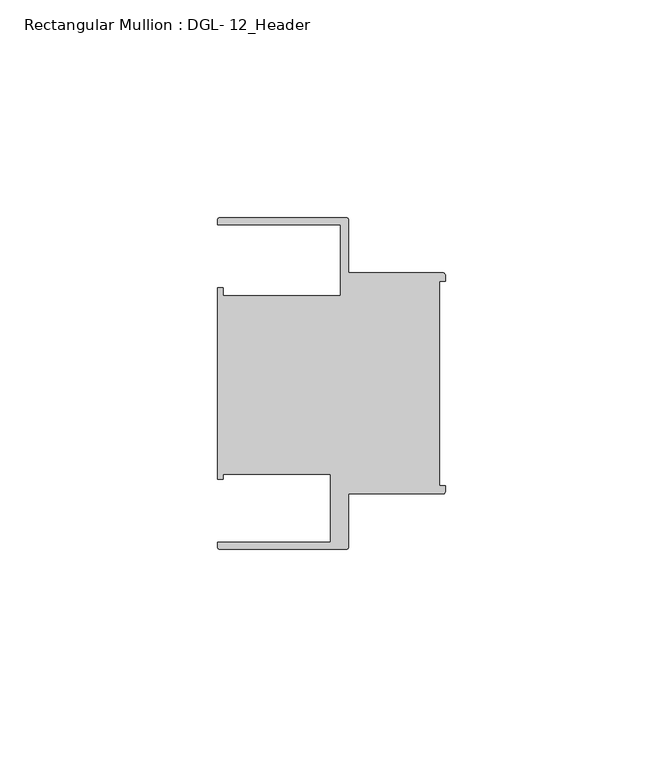
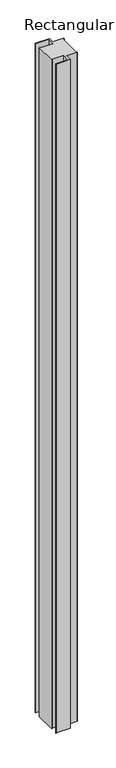
"""IFC4 building model written with IfcOpenShell, lengths in millimetres: member geometry, Rectangular Mullion : DGL- 12_Header."""

from ifc_helpers import new_model, si_unit, point, frame, frame_2d, origin, place, context, project, spatial, polyline, circle_curve, trimmed, segment, composite_curve, outline, extrude, source, transform, mapped, element, save


def rectangular_mullion_dgl_12_header_fab9ec93(model_context):
    return source(origin(), model_context, "Body", "SweptSolid", [
        extrude(outline(composite_curve([segment(trimmed(circle_curve(frame_2d((-0.5953125, 24.8046875)), 0.5953125), [point((-0.5953125, 25.4))], [point((0.0, 24.8046875))], False, "CARTESIAN"), True, "CONTINUOUS"), segment(polyline([(0.0, 24.8046875), (0.0, 23.4882401), (-1.30175, 23.4882401), (-1.30175, -23.4882401), (0.0, -23.4882401), (0.0, -24.8046875)]), True, "CONTINUOUS"), segment(trimmed(circle_curve(frame_2d((-0.5953125, -24.8046875)), 0.5953125), [point((0.0, -24.8046875))], [point((-0.5953125, -25.4))], False, "CARTESIAN"), True, "CONTINUOUS"), segment(polyline([(-0.5953125, -25.4), (-22.2332076, -25.4), (-22.2332076, -37.5047035)]), True, "CONTINUOUS"), segment(trimmed(circle_curve(frame_2d((-22.8285201, -37.5047035)), 0.5953125), [point((-22.2332076, -37.5047035))], [point((-22.8285201, -38.100016))], False, "CARTESIAN"), True, "CONTINUOUS"), segment(polyline([(-22.8285201, -38.100016), (-51.7968699, -38.100016)]), True, "CONTINUOUS"), segment(trimmed(circle_curve(frame_2d((-51.7968699, -37.5047035)), 0.5953125), [point((-51.7968699, -38.100016))], [point((-52.3921824, -37.5047035))], False, "CARTESIAN"), True, "CONTINUOUS"), segment(polyline([(-52.3921824, -37.5047035), (-52.3921824, -36.512516), (-26.3720794, -36.512516), (-26.3720794, -20.8257348), (-51.1280305, -20.8257348), (-51.1280305, -21.9710976), (-52.3948122, -21.9710976), (-52.3948122, 21.9710976), (-51.1280305, 21.9710976), (-51.1280305, 20.1823589), (-24.0747075, 20.1823589), (-24.0747075, 36.5123462), (-52.3921824, 36.5123462), (-52.3921824, 37.5043667)]), True, "CONTINUOUS"), segment(trimmed(circle_curve(frame_2d((-51.7968699, 37.5043667)), 0.5953125), [point((-52.3921824, 37.5043667))], [point((-51.7968699, 38.0996792))], False, "CARTESIAN"), True, "CONTINUOUS"), segment(polyline([(-51.7968699, 38.0996792), (-22.8285201, 38.0996792)]), True, "CONTINUOUS"), segment(trimmed(circle_curve(frame_2d((-22.8285201, 37.5043667)), 0.5953125), [point((-22.8285201, 38.0996792))], [point((-22.2332076, 37.5043667))], False, "CARTESIAN"), True, "CONTINUOUS"), segment(polyline([(-22.2332076, 37.5043667), (-22.2332076, 25.4), (-0.5953125, 25.4)]), True, "CONTINUOUS")], self_intersect=False)), frame((0.0, 0.0, -1477.9660402), z_axis=(0.0, 0.0, 1.0), x_axis=(1.0, 0.0, 0.0)), (0.0, 0.0, 1.0), 1477.9660402),
    ])


if __name__ == "__main__":
    model = new_model("IFC4")
    model_context = context("Model", 3, world=origin())
    ifc_project = project(units=[si_unit("LENGTHUNIT", "METRE", prefix="MILLI")], contexts=[model_context])
    site = spatial("IfcSite", under=ifc_project)
    building = spatial("IfcBuilding", under=site)
    placement = place(None, origin())
    rectangular_mullion_dgl_12_header_shape = rectangular_mullion_dgl_12_header_fab9ec93(model_context)
    element("IfcMember", 1, ObjectType="Rectangular Mullion : DGL- 12_Header", at=placement, inside=building, context=model_context, shape_type="MappedRepresentation", body=[
        mapped(rectangular_mullion_dgl_12_header_shape, transform((0.0, 0.0, 0.0), x_axis=(1.0, 0.0, 0.0), y_axis=(0.0, 1.0, 0.0), z_axis=(0.0, 0.0, 1.0))),
    ])
    save(model, "model.ifc")
